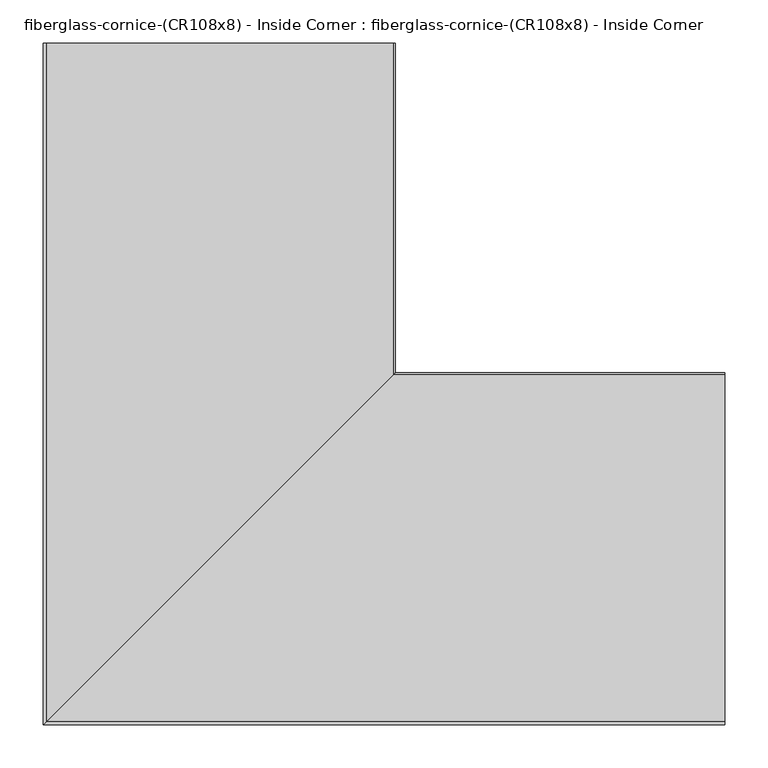
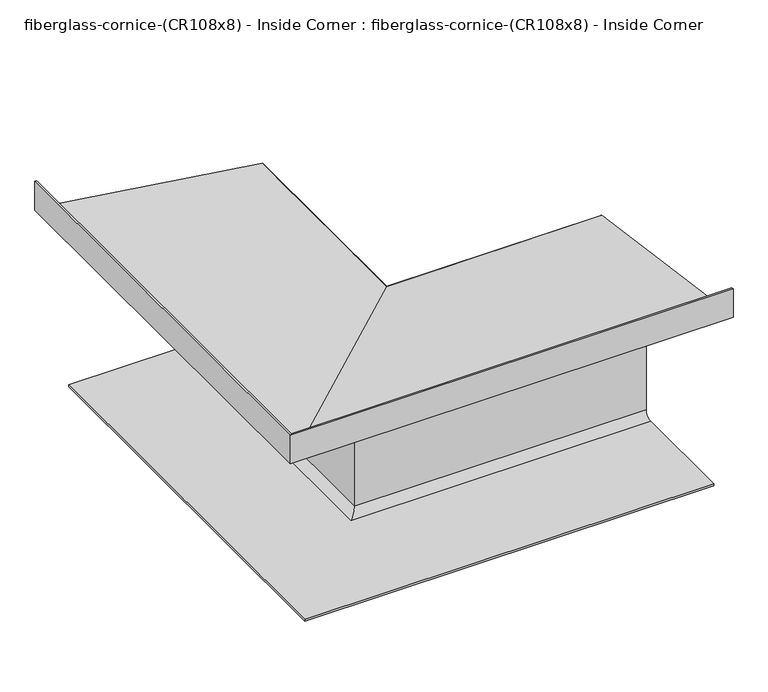
"""IFC4 building model written with IfcOpenShell, lengths in millimetres: furniture geometry, fiberglass-cornice-(CR108x8) - Inside Corner : fiberglass-cornice-(CR108x8) - Inside Corner."""

from ifc_helpers import new_model, si_unit, frame, origin, place, context, project, spatial, polyline, circle_curve, ellipse_curve, source, transform, mapped, element, save
from ifc_brep_helpers import plane_surface, cylinder_surface, revolved_surface, advanced_brep


def fiberglass_cornice_cr108x8_inside_corner_fiberglass_cornice_32fdd108(model_context):
    return source(origin(), model_context, "Body", "AdvancedBrep", [
        advanced_brep(
        [(-390.2076385, 888.603125, 330.0957121), (-390.2076385, 888.603125, 279.4513144), (10.5077309, 888.603125, 223.1344666), (12.9228608, 888.603125, 220.0517369), (12.9228928, 888.603125, 211.6295733), (10.1875126, 888.603125, 208.4851622), (-23.7154889, 888.603125, 179.5693198), (-36.9064062, 888.603125, 133.7587686), (-68.8232841, 888.603125, 108.8040813), (-72.0204017, 888.603125, 105.5911434), (-72.0204017, 888.603125, 97.284127), (-75.1956293, 888.603125, 94.1091241), (-83.5007364, 888.603125, 94.1091217), (-86.6276371, 888.603125, 91.5065503), (-96.5592838, 888.603125, 79.0597575), (-106.7387425, 888.603125, 66.4029603), (-109.8521032, 888.603125, 63.8505439), (-118.7392392, 888.603125, 63.8505407), (-121.9185493, 888.603125, 60.7132738), (-121.9185493, 888.603125, -82.8819321), (-124.6998932, 888.603125, -86.0324059), (-127.3736259, 888.603125, -83.7006969), (-136.6110754, 888.603125, -76.9291185), (-333.4234855, 888.603125, -76.9291185), (-333.4234855, 888.603125, -73.4366185), (-139.3812735, 888.603125, -73.4366185), (-125.4113815, 888.603125, -59.5215493), (-125.4113815, 888.603125, 65.4380508), (-123.5062735, 888.603125, 67.3430439), (-113.4434868, 888.603125, 67.343045), (-109.2700137, 888.603125, 70.2497063), (-97.947841, 888.603125, 82.2643918), (-89.8821884, 888.603125, 95.5527593), (-87.9826285, 888.603125, 97.6016241), (-79.9622689, 888.603125, 97.6016261), (-75.5132339, 888.603125, 102.0161337), (-75.5132339, 888.603125, 110.7988842), (-73.300075, 888.603125, 112.67881), (-40.2842463, 888.603125, 134.6498182), (-27.0620396, 888.603125, 180.5686863), (7.3793631, 888.603125, 211.5566345), (7.084977, 888.603125, 220.0886338), (-393.6999938, 888.603125, 276.415322), (-393.6999938, 888.603125, 330.1999904), (393.6999938, 104.6954803, 330.0957121), (393.6999938, 101.203125, 330.1999904), (393.6999938, 101.203125, 276.415322), (393.6999938, 501.9880959, 220.0886338), (393.6999938, 502.282482, 211.5566345), (393.6999938, 467.8410793, 180.5686863), (393.6999938, 454.6188726, 134.6498182), (393.6999938, 421.6030438, 112.67881), (393.6999938, 419.3899895, 110.7988824), (393.6999938, 419.3898849, 102.0161337), (393.6999938, 414.94085, 97.6016261), (393.6999938, 406.9205933, 97.6016261), (393.6999938, 405.0209305, 95.5527593), (393.6999938, 396.9552778, 82.2643918), (393.6999938, 385.6331051, 70.2497063), (393.6999938, 381.4596321, 67.343045), (393.6999938, 371.3967018, 67.343045), (393.6999938, 369.4918454, 65.4380439), (393.6999938, 369.4917374, -59.5215493), (393.6999938, 355.5218454, -73.4366185), (393.6999938, 161.4796333, -73.4366185), (393.6999938, 161.4796333, -76.9291185), (393.6999938, 358.2920434, -76.9291185), (393.6999938, 367.5294929, -83.7006969), (393.6999938, 370.2032256, -86.0324059), (393.6999938, 372.9843454, -82.8819323), (393.6999938, 372.9845695, 60.7132738), (393.6999938, 376.1638796, 63.8505407), (393.6999938, 385.0509338, 63.8505407), (393.6999938, 388.1643763, 66.4029603), (393.6999938, 398.3438351, 79.0597575), (393.6999938, 408.2754818, 91.5065503), (393.6999938, 411.4023824, 94.1091217), (393.6999938, 419.7074585, 94.1091217), (393.6999938, 422.8824895, 97.2841241), (393.6999938, 422.8827171, 105.5911434), (393.6999938, 426.0798348, 108.8040813), (393.6999938, 457.9967127, 133.7587686), (393.6999938, 471.1876299, 179.5693198), (393.6999938, 505.0906315, 208.4851622), (393.6999938, 507.8259796, 211.6295749), (393.6999938, 507.8260117, 220.0517394), (393.6999938, 505.4108498, 223.1344666), (393.6999938, 104.6954803, 279.4513144), (-390.2076385, 104.6954803, 330.0957121), (-390.2076385, 104.6954803, 279.4513144), (10.5077309, 505.4108498, 223.1344666), (12.9228608, 507.8259796, 220.0517369), (12.9228928, 507.8260117, 211.6295733), (10.1875126, 505.0906315, 208.4851622), (-23.7154889, 471.1876299, 179.5693198), (-36.9064062, 457.9967127, 133.7587686), (-68.8232841, 426.0798348, 108.8040813), (-72.0204017, 422.8827171, 105.5911434), (-72.0204017, 422.8827171, 97.284127), (-75.1956293, 419.7074895, 94.1091241), (-83.5007364, 411.4023824, 94.1091217), (-86.6276371, 408.2754818, 91.5065503), (-96.5592838, 398.3438351, 79.0597575), (-106.7387425, 388.1643763, 66.4029603), (-109.8521032, 385.0510157, 63.8505439), (-118.7392392, 376.1638796, 63.8505407), (-121.9185493, 372.9845695, 60.7132738), (-121.9185493, 372.9845695, -82.8819321), (-124.6998932, 370.2032256, -86.0324059), (-127.3736259, 367.5294929, -83.7006969), (-136.6110754, 358.2920434, -76.9291185), (-333.4234855, 161.4796333, -76.9291185), (-333.4234855, 161.4796333, -73.4366185), (-139.3812735, 355.5218454, -73.4366185), (-125.4113815, 369.4917374, -59.5215493), (-125.4113815, 369.4917374, 65.4380508), (-123.5062735, 371.3968454, 67.3430439), (-113.4434868, 381.4596321, 67.343045), (-109.2700137, 385.6331051, 70.2497063), (-97.947841, 396.9552778, 82.2643918), (-89.8821884, 405.0209305, 95.5527593), (-87.9826285, 406.9204904, 97.6016241), (-79.9622689, 414.94085, 97.6016261), (-75.5132339, 419.3898849, 102.0161337), (-75.5132339, 419.3898849, 110.7988842), (-73.300075, 421.6030438, 112.67881), (-40.2842463, 454.6188726, 134.6498182), (-27.0620396, 467.8410793, 180.5686863), (7.3793631, 502.282482, 211.5566345), (7.084977, 501.9880959, 220.0886338), (-393.6999938, 101.203125, 276.415322), (-393.6999938, 101.203125, 330.1999904)],
        [
            (0, 1),
            (1, 2),
            (2, 3, circle_curve(frame((9.7478608, 888.603125, 220.0517369), z_axis=(0.0, 1.0, 0.0), x_axis=(1.0, 0.0, 0.0)), 3.175)),
            (3, 4),
            (4, 5, circle_curve(frame((9.7478608, 888.603125, 211.6295749), z_axis=(0.0, 1.0, 0.0), x_axis=(1.0, 0.0, 0.0)), 3.175)),
            (5, 6, circle_curve(frame((15.9292323, 888.603125, 167.4200865), z_axis=(0.0, -1.0, 0.0), x_axis=(1.0, 0.0, 0.0)), 41.4645366)),
            (6, 7),
            (7, 8, circle_curve(frame((-68.5938812, 888.603125, 141.3987567), z_axis=(0.0, 1.0, 0.0), x_axis=(1.0, 0.0, 0.0)), 32.5954827)),
            (8, 9, circle_curve(frame((-68.8456293, 888.603125, 105.6291599), z_axis=(0.0, -1.0, 0.0), x_axis=(1.0, 0.0, 0.0)), 3.175)),
            (9, 10),
            (10, 11, circle_curve(frame((-75.1956293, 888.603125, 97.2841241), z_axis=(0.0, 1.0, 0.0), x_axis=(1.0, 0.0, 0.0)), 3.175)),
            (11, 12),
            (12, 13, circle_curve(frame((-83.5046652, 888.603125, 90.9341241), z_axis=(0.0, -1.0, 0.0), x_axis=(1.0, 0.0, 0.0)), 3.175)),
            (13, 14, circle_curve(frame((-103.1997529, 888.603125, 94.5441417), z_axis=(0.0, 1.0, 0.0), x_axis=(1.0, 0.0, 0.0)), 16.8482042)),
            (14, 15, circle_curve(frame((-89.4923996, 888.603125, 62.9541819), z_axis=(0.0, -1.0, 0.0), x_axis=(1.0, 0.0, 0.0)), 17.5877917)),
            (15, 16, circle_curve(frame((-109.8521032, 888.603125, 67.0255439), z_axis=(0.0, 1.0, 0.0), x_axis=(1.0, 0.0, 0.0)), 3.175)),
            (16, 17),
            (17, 18, circle_curve(frame((-118.7437735, 888.603125, 60.6755439), z_axis=(0.0, -1.0, 0.0), x_axis=(1.0, 0.0, 0.0)), 3.175)),
            (18, 19),
            (19, 20, circle_curve(frame((-125.0937735, 888.603125, -82.8819323), z_axis=(0.0, 1.0, 0.0), x_axis=(1.0, 0.0, 0.0)), 3.175)),
            (20, 21, circle_curve(frame((-124.3060129, 888.603125, -82.8819323), z_axis=(0.0, 1.0, 0.0), x_axis=(1.0, 0.0, 0.0)), 3.175)),
            (21, 22, circle_curve(frame((-136.2015829, 888.603125, -86.0569323), z_axis=(0.0, -1.0, 0.0), x_axis=(1.0, 0.0, 0.0)), 9.1369946)),
            (22, 23),
            (23, 24),
            (24, 25),
            (25, 26, circle_curve(frame((-139.3812735, 888.603125, -59.4666185), z_axis=(0.0, -1.0, 0.0), x_axis=(1.0, 0.0, 0.0)), 13.97)),
            (26, 27),
            (27, 28, circle_curve(frame((-123.5062735, 888.603125, 65.4380439), z_axis=(0.0, 1.0, 0.0), x_axis=(1.0, 0.0, 0.0)), 1.905)),
            (28, 29),
            (29, 30, circle_curve(frame((-113.4403306, 888.603125, 71.7880439), z_axis=(0.0, -1.0, 0.0), x_axis=(1.0, 0.0, 0.0)), 4.445)),
            (30, 31, circle_curve(frame((-89.4923996, 888.603125, 62.9541819), z_axis=(0.0, 1.0, 0.0), x_axis=(1.0, 0.0, 0.0)), 21.0802917)),
            (31, 32, circle_curve(frame((-103.1997529, 888.603125, 94.5441417), z_axis=(0.0, -1.0, 0.0), x_axis=(1.0, 0.0, 0.0)), 13.3557042)),
            (32, 33, circle_curve(frame((-87.9826285, 888.603125, 95.6966241), z_axis=(0.0, 1.0, 0.0), x_axis=(1.0, 0.0, 0.0)), 1.905)),
            (33, 34),
            (34, 35, circle_curve(frame((-79.9581293, 888.603125, 102.0466241), z_axis=(0.0, -1.0, 0.0), x_axis=(1.0, 0.0, 0.0)), 4.445)),
            (35, 36),
            (36, 37, circle_curve(frame((-73.6081293, 888.603125, 110.7988824), z_axis=(0.0, 1.0, 0.0), x_axis=(1.0, 0.0, 0.0)), 1.905)),
            (37, 38, circle_curve(frame((-68.5938812, 888.603125, 141.3987567), z_axis=(0.0, -1.0, 0.0), x_axis=(1.0, 0.0, 0.0)), 29.1029827)),
            (38, 39),
            (39, 40, circle_curve(frame((15.9292323, 888.603125, 167.4200865), z_axis=(0.0, 1.0, 0.0), x_axis=(1.0, 0.0, 0.0)), 44.9570366)),
            (40, 41, circle_curve(frame((6.5196249, 888.603125, 215.7980486), z_axis=(0.0, -1.0, 0.0), x_axis=(1.0, 0.0, 0.0)), 4.3276719)),
            (41, 42),
            (42, 43),
            (43, 0),
            (44, 45),
            (45, 46),
            (46, 47),
            (47, 48, circle_curve(frame((393.6999938, 501.4227437, 215.7980486), z_axis=(-1.0, 0.0, 0.0), x_axis=(0.0, 1.0, 0.0)), 4.3276719)),
            (48, 49, circle_curve(frame((393.6999938, 510.8323512, 167.4200865), z_axis=(1.0, 0.0, 0.0), x_axis=(0.0, 1.0, 0.0)), 44.9570366)),
            (49, 50),
            (50, 51, circle_curve(frame((393.6999938, 426.3092377, 141.3987567), z_axis=(-1.0, 0.0, 0.0), x_axis=(0.0, 1.0, 0.0)), 29.1029827)),
            (51, 52, circle_curve(frame((393.6999938, 421.2949895, 110.7988824), z_axis=(1.0, 0.0, 0.0), x_axis=(0.0, 1.0, 0.0)), 1.905)),
            (52, 53),
            (53, 54, circle_curve(frame((393.6999938, 414.9449895, 102.0466241), z_axis=(-1.0, 0.0, 0.0), x_axis=(0.0, 1.0, 0.0)), 4.445)),
            (54, 55),
            (55, 56, circle_curve(frame((393.6999938, 406.9204904, 95.6966241), z_axis=(1.0, 0.0, 0.0), x_axis=(0.0, 1.0, 0.0)), 1.905)),
            (56, 57, circle_curve(frame((393.6999938, 391.7033659, 94.5441417), z_axis=(-1.0, 0.0, 0.0), x_axis=(0.0, 1.0, 0.0)), 13.3557042)),
            (57, 58, circle_curve(frame((393.6999938, 405.4107193, 62.9541819), z_axis=(1.0, 0.0, 0.0), x_axis=(0.0, 1.0, 0.0)), 21.0802917)),
            (58, 59, circle_curve(frame((393.6999938, 381.4627883, 71.7880439), z_axis=(-1.0, 0.0, 0.0), x_axis=(0.0, 1.0, 0.0)), 4.445)),
            (59, 60),
            (60, 61, circle_curve(frame((393.6999938, 371.3968454, 65.4380439), z_axis=(1.0, 0.0, 0.0), x_axis=(0.0, 1.0, 0.0)), 1.905)),
            (61, 62),
            (62, 63, circle_curve(frame((393.6999938, 355.5218454, -59.4666185), z_axis=(-1.0, 0.0, 0.0), x_axis=(0.0, 1.0, 0.0)), 13.97)),
            (63, 64),
            (64, 65),
            (65, 66),
            (66, 67, circle_curve(frame((393.6999938, 358.7015359, -86.0569323), z_axis=(-1.0, 0.0, 0.0), x_axis=(0.0, 1.0, 0.0)), 9.1369946)),
            (67, 68, circle_curve(frame((393.6999938, 370.5971059, -82.8819323), z_axis=(1.0, 0.0, 0.0), x_axis=(0.0, 1.0, 0.0)), 3.175)),
            (68, 69, circle_curve(frame((393.6999938, 369.8093454, -82.8819323), z_axis=(1.0, 0.0, 0.0), x_axis=(0.0, 1.0, 0.0)), 3.175)),
            (69, 70),
            (70, 71, circle_curve(frame((393.6999938, 376.1593454, 60.6755439), z_axis=(-1.0, 0.0, 0.0), x_axis=(0.0, 1.0, 0.0)), 3.175)),
            (71, 72),
            (72, 73, circle_curve(frame((393.6999938, 385.0510157, 67.0255439), z_axis=(1.0, 0.0, 0.0), x_axis=(0.0, 1.0, 0.0)), 3.175)),
            (73, 74, circle_curve(frame((393.6999938, 405.4107193, 62.9541819), z_axis=(-1.0, 0.0, 0.0), x_axis=(0.0, 1.0, 0.0)), 17.5877917)),
            (74, 75, circle_curve(frame((393.6999938, 391.7033659, 94.5441417), z_axis=(1.0, 0.0, 0.0), x_axis=(0.0, 1.0, 0.0)), 16.8482042)),
            (75, 76, circle_curve(frame((393.6999938, 411.3984536, 90.9341241), z_axis=(-1.0, 0.0, 0.0), x_axis=(0.0, 1.0, 0.0)), 3.175)),
            (76, 77),
            (77, 78, circle_curve(frame((393.6999938, 419.7074895, 97.2841241), z_axis=(1.0, 0.0, 0.0), x_axis=(0.0, 1.0, 0.0)), 3.175)),
            (78, 79),
            (79, 80, circle_curve(frame((393.6999938, 426.0574895, 105.6291599), z_axis=(-1.0, 0.0, 0.0), x_axis=(0.0, 1.0, 0.0)), 3.175)),
            (80, 81, circle_curve(frame((393.6999938, 426.3092377, 141.3987567), z_axis=(1.0, 0.0, 0.0), x_axis=(0.0, 1.0, 0.0)), 32.5954827)),
            (81, 82),
            (82, 83, circle_curve(frame((393.6999938, 510.8323512, 167.4200865), z_axis=(-1.0, 0.0, 0.0), x_axis=(0.0, 1.0, 0.0)), 41.4645366)),
            (83, 84, circle_curve(frame((393.6999938, 504.6509796, 211.6295749), z_axis=(1.0, 0.0, 0.0), x_axis=(0.0, 1.0, 0.0)), 3.175)),
            (84, 85),
            (85, 86, circle_curve(frame((393.6999938, 504.6509796, 220.0517369), z_axis=(1.0, 0.0, 0.0), x_axis=(0.0, 1.0, 0.0)), 3.175)),
            (86, 87),
            (87, 44),
            (0, 88),
            (88, 89),
            (89, 1),
            (89, 90),
            (90, 2),
            (90, 91, ellipse_curve(frame((9.7478608, 504.6509796, 220.0517369), z_axis=(-0.7071067811865475, 0.7071067811865475, 0.0), x_axis=(0.7071067811865474, 0.7071067811865476, 0.0)), 4.4901281, 3.175)),
            (91, 3),
            (91, 92),
            (92, 4),
            (92, 93, ellipse_curve(frame((9.7478608, 504.6509796, 211.6295749), z_axis=(-0.7071067811865475, 0.7071067811865475, 0.0), x_axis=(0.7071067811865474, 0.7071067811865476, 0.0)), 4.4901281, 3.175)),
            (93, 5),
            (93, 94, ellipse_curve(frame((15.9292323, 510.8323512, 167.4200865), z_axis=(0.7071067811865475, -0.7071067811865475, 0.0), x_axis=(-0.7071067811865474, -0.7071067811865476, 0.0)), 58.63971, 41.4645366)),
            (94, 6),
            (94, 95),
            (95, 7),
            (95, 96, ellipse_curve(frame((-68.5938812, 426.3092377, 141.3987567), z_axis=(-0.7071067811865475, 0.7071067811865475, 0.0), x_axis=(0.7071067811865474, 0.7071067811865476, 0.0)), 46.0969737, 32.5954827)),
            (96, 8),
            (96, 97, ellipse_curve(frame((-68.8456293, 426.0574895, 105.6291599), z_axis=(0.7071067811865475, -0.7071067811865475, 0.0), x_axis=(-0.7071067811865474, -0.7071067811865476, 0.0)), 4.4901281, 3.175)),
            (97, 9),
            (97, 98),
            (98, 10),
            (98, 99, ellipse_curve(frame((-75.1956293, 419.7074895, 97.2841241), z_axis=(-0.7071067811865475, 0.7071067811865475, 0.0), x_axis=(0.7071067811865474, 0.7071067811865476, 0.0)), 4.4901281, 3.175)),
            (99, 11),
            (99, 77),
            (76, 100),
            (100, 12),
            (100, 101, ellipse_curve(frame((-83.5046652, 411.3984536, 90.9341241), z_axis=(0.7071067811865475, -0.7071067811865475, 0.0), x_axis=(-0.7071067811865474, -0.7071067811865476, 0.0)), 4.4901281, 3.175)),
            (101, 13),
            (101, 102, ellipse_curve(frame((-103.1997529, 391.7033659, 94.5441417), z_axis=(-0.7071067811865475, 0.7071067811865475, 0.0), x_axis=(0.7071067811865474, 0.7071067811865476, 0.0)), 23.8269589, 16.8482042)),
            (102, 14),
            (102, 103, ellipse_curve(frame((-89.4923996, 405.4107193, 62.9541819), z_axis=(0.7071067811865475, -0.7071067811865475, 0.0), x_axis=(-0.7071067811865474, -0.7071067811865476, 0.0)), 24.8728936, 17.5877917)),
            (103, 15),
            (103, 104, ellipse_curve(frame((-109.8521032, 385.0510157, 67.0255439), z_axis=(-0.7071067811865475, 0.7071067811865475, 0.0), x_axis=(0.7071067811865474, 0.7071067811865476, 0.0)), 4.4901281, 3.175)),
            (104, 16),
            (104, 72),
            (71, 105),
            (105, 17),
            (105, 106, ellipse_curve(frame((-118.7437735, 376.1593454, 60.6755439), z_axis=(0.7071067811865475, -0.7071067811865475, 0.0), x_axis=(-0.7071067811865474, -0.7071067811865476, 0.0)), 4.4901281, 3.175)),
            (106, 18),
            (106, 107),
            (107, 19),
            (107, 108, ellipse_curve(frame((-125.0937735, 369.8093454, -82.8819323), z_axis=(-0.7071067811865475, 0.7071067811865475, 0.0), x_axis=(0.7071067811865474, 0.7071067811865476, 0.0)), 4.4901281, 3.175)),
            (108, 20),
            (108, 109, ellipse_curve(frame((-124.3060129, 370.5971059, -82.8819323), z_axis=(-0.7071067811865475, 0.7071067811865475, 0.0), x_axis=(0.7071067811865474, 0.7071067811865476, 0.0)), 4.4901281, 3.175)),
            (109, 21),
            (109, 110, ellipse_curve(frame((-136.2015829, 358.7015359, -86.0569323), z_axis=(0.7071067811865475, -0.7071067811865475, 0.0), x_axis=(-0.7071067811865474, -0.7071067811865476, 0.0)), 12.9216617, 9.1369946)),
            (110, 22),
            (110, 66),
            (65, 111),
            (111, 23),
            (111, 112),
            (112, 24),
            (112, 64),
            (63, 113),
            (113, 25),
            (113, 114, ellipse_curve(frame((-139.3812735, 355.5218454, -59.4666185), z_axis=(0.7071067811865475, -0.7071067811865475, 0.0), x_axis=(-0.7071067811865474, -0.7071067811865476, 0.0)), 19.7565635, 13.97)),
            (114, 26),
            (114, 115),
            (115, 27),
            (115, 116, ellipse_curve(frame((-123.5062735, 371.3968454, 65.4380439), z_axis=(-0.7071067811865475, 0.7071067811865475, 0.0), x_axis=(0.7071067811865474, 0.7071067811865476, 0.0)), 2.6940768, 1.905)),
            (116, 28),
            (116, 60),
            (59, 117),
            (117, 29),
            (117, 118, ellipse_curve(frame((-113.4403306, 381.4627883, 71.7880439), z_axis=(0.7071067811865475, -0.7071067811865475, 0.0), x_axis=(-0.7071067811865474, -0.7071067811865476, 0.0)), 6.2861793, 4.445)),
            (118, 30),
            (118, 119, ellipse_curve(frame((-89.4923996, 405.4107193, 62.9541819), z_axis=(-0.7071067811865475, 0.7071067811865475, 0.0), x_axis=(0.7071067811865474, 0.7071067811865476, 0.0)), 29.8120345, 21.0802917)),
            (119, 31),
            (119, 120, ellipse_curve(frame((-103.1997529, 391.7033659, 94.5441417), z_axis=(0.7071067811865475, -0.7071067811865475, 0.0), x_axis=(-0.7071067811865474, -0.7071067811865476, 0.0)), 18.887818, 13.3557042)),
            (120, 32),
            (120, 121, ellipse_curve(frame((-87.9826285, 406.9204904, 95.6966241), z_axis=(-0.7071067811865475, 0.7071067811865475, 0.0), x_axis=(0.7071067811865474, 0.7071067811865476, 0.0)), 2.6940768, 1.905)),
            (121, 33),
            (121, 55),
            (54, 122),
            (122, 34),
            (122, 123, ellipse_curve(frame((-79.9581293, 414.9449895, 102.0466241), z_axis=(0.7071067811865475, -0.7071067811865475, 0.0), x_axis=(-0.7071067811865474, -0.7071067811865476, 0.0)), 6.2861793, 4.445)),
            (123, 35),
            (123, 124),
            (124, 36),
            (124, 125, ellipse_curve(frame((-73.6081293, 421.2949895, 110.7988824), z_axis=(-0.7071067811865475, 0.7071067811865475, 0.0), x_axis=(0.7071067811865474, 0.7071067811865476, 0.0)), 2.6940768, 1.905)),
            (125, 37),
            (125, 126, ellipse_curve(frame((-68.5938812, 426.3092377, 141.3987567), z_axis=(0.7071067811865475, -0.7071067811865475, 0.0), x_axis=(-0.7071067811865474, -0.7071067811865476, 0.0)), 41.1578328, 29.1029827)),
            (126, 38),
            (126, 127),
            (127, 39),
            (127, 128, ellipse_curve(frame((15.9292323, 510.8323512, 167.4200865), z_axis=(-0.7071067811865475, 0.7071067811865475, 0.0), x_axis=(0.7071067811865474, 0.7071067811865476, 0.0)), 63.5788508, 44.9570366)),
            (128, 40),
            (128, 129, ellipse_curve(frame((6.5196249, 501.4227437, 215.7980486), z_axis=(0.7071067811865475, -0.7071067811865475, 0.0), x_axis=(-0.7071067811865474, -0.7071067811865476, 0.0)), 6.1202523, 4.3276719)),
            (129, 41),
            (129, 130),
            (130, 42),
            (130, 131),
            (131, 43),
            (131, 88),
            (88, 44),
            (87, 89),
            (86, 90),
            (85, 91),
            (84, 92),
            (83, 93),
            (82, 94),
            (81, 95),
            (80, 96),
            (79, 97),
            (78, 98),
            (75, 101),
            (74, 102),
            (73, 103),
            (70, 106),
            (69, 107),
            (68, 108),
            (67, 109),
            (62, 114),
            (61, 115),
            (58, 118),
            (57, 119),
            (56, 120),
            (53, 123),
            (52, 124),
            (51, 125),
            (50, 126),
            (49, 127),
            (48, 128),
            (47, 129),
            (46, 130),
            (45, 131),
        ],
        [
            plane_surface(frame((-393.6999938, 888.603125, 330.1999904), z_axis=(0.0, 1.0, 0.0), x_axis=(0.0, 0.0, 1.0))),
            plane_surface(frame((393.6999938, 101.203125, 330.1999904), z_axis=(1.0, 0.0, 0.0), x_axis=(0.0, 0.0, 1.0))),
            plane_surface(frame((-390.2076385, 888.603125, 330.0957121), z_axis=(1.0, 0.0, 0.0), x_axis=(0.0, -1.0, 0.0))),
            plane_surface(frame((-390.2076385, 888.603125, 279.4513144), z_axis=(0.13917304094940405, 0.0, 0.9902680771755169), x_axis=(0.0, -1.0, 0.0))),
            cylinder_surface(frame((9.7478608, 888.603125, 220.0517369), z_axis=(0.0, 1.0, 0.0), x_axis=(1.0, 0.0, 0.0)), 3.175),
            plane_surface(frame((12.9228928, 888.603125, 220.0517394), z_axis=(1.0, 0.0, 0.0), x_axis=(0.0, -1.0, 0.0))),
            cylinder_surface(frame((9.7478608, 888.603125, 211.6295749), z_axis=(0.0, 1.0, 0.0), x_axis=(1.0, 0.0, 0.0)), 3.175),
            revolved_surface(polyline([(57.393768900000005, 469.36781461218743, 167.4200865), (57.393768900000005, 888.603125, 167.4200865)]), (15.9292323, 888.603125, 167.4200865), (0.0, -1.0, 0.0)),
            plane_surface(frame((-23.7154889, 888.603125, 179.5693198), z_axis=(0.960955677207526, 0.0, -0.27670234267643123), x_axis=(0.0, -1.0, 0.0))),
            cylinder_surface(frame((-68.5938812, 888.603125, 141.3987567), z_axis=(0.0, 1.0, 0.0), x_axis=(1.0, 0.0, 0.0)), 32.5954827),
            revolved_surface(polyline([(-65.6706293, 422.8824894720937, 105.6291599), (-65.6706293, 888.603125, 105.6291599)]), (-68.8456293, 888.603125, 105.6291599), (0.0, -1.0, 0.0)),
            plane_surface(frame((-72.0204017, 888.603125, 105.5911434), z_axis=(1.0, 0.0, 0.0), x_axis=(0.0, -1.0, 0.0))),
            cylinder_surface(frame((-75.1956293, 888.603125, 97.2841241), z_axis=(0.0, 1.0, 0.0), x_axis=(1.0, 0.0, 0.0)), 3.175),
            plane_surface(frame((-75.1956604, 888.603125, 94.1091217), z_axis=(0.0, 0.0, -1.0), x_axis=(0.0, -1.0, 0.0))),
            revolved_surface(polyline([(-80.32966520000001, 408.2234535720937, 90.9341241), (-80.32966520000001, 888.603125, 90.9341241)]), (-83.5046652, 888.603125, 90.9341241), (0.0, -1.0, 0.0)),
            cylinder_surface(frame((-103.1997529, 888.603125, 94.5441417), z_axis=(0.0, 1.0, 0.0), x_axis=(1.0, 0.0, 0.0)), 16.8482042),
            revolved_surface(polyline([(-71.9046079, 387.8229275677085, 62.9541819), (-71.9046079, 888.603125, 62.9541819)]), (-89.4923996, 888.603125, 62.9541819), (0.0, -1.0, 0.0)),
            cylinder_surface(frame((-109.8521032, 888.603125, 67.0255439), z_axis=(0.0, 1.0, 0.0), x_axis=(1.0, 0.0, 0.0)), 3.175),
            plane_surface(frame((-109.852185, 888.603125, 63.8505407), z_axis=(0.0, 0.0, -1.0), x_axis=(0.0, -1.0, 0.0))),
            revolved_surface(polyline([(-115.5687735, 372.9843453720937, 60.6755439), (-115.5687735, 888.603125, 60.6755439)]), (-118.7437735, 888.603125, 60.6755439), (0.0, -1.0, 0.0)),
            plane_surface(frame((-121.9185493, 888.603125, 60.7132738), z_axis=(1.0, 0.0, 0.0), x_axis=(0.0, -1.0, 0.0))),
            cylinder_surface(frame((-125.0937735, 888.603125, -82.8819323), z_axis=(0.0, 1.0, 0.0), x_axis=(1.0, 0.0, 0.0)), 3.175),
            cylinder_surface(frame((-124.3060129, 888.603125, -82.8819323), z_axis=(0.0, 1.0, 0.0), x_axis=(1.0, 0.0, 0.0)), 3.175),
            revolved_surface(polyline([(-127.06458830000001, 349.5645412877316, -86.0569323), (-127.06458830000001, 888.603125, -86.0569323)]), (-136.2015829, 888.603125, -86.0569323), (0.0, -1.0, 0.0)),
            plane_surface(frame((-136.6110754, 888.603125, -76.9291185), z_axis=(0.0, 0.0, -1.0), x_axis=(0.0, -1.0, 0.0))),
            plane_surface(frame((-333.4234855, 888.603125, -76.9291185), z_axis=(-1.0, 0.0, 0.0), x_axis=(0.0, -1.0, 0.0))),
            plane_surface(frame((-333.4234855, 888.603125, -73.4366185), z_axis=(0.0, 0.0, 1.0), x_axis=(0.0, -1.0, 0.0))),
            revolved_surface(polyline([(-125.4112735, 341.5518453762073, -59.4666185), (-125.4112735, 888.603125, -59.4666185)]), (-139.3812735, 888.603125, -59.4666185), (0.0, -1.0, 0.0)),
            plane_surface(frame((-125.4113815, 888.603125, -59.5215493), z_axis=(-1.0, 0.0, 0.0), x_axis=(0.0, -1.0, 0.0))),
            cylinder_surface(frame((-123.5062735, 888.603125, 65.4380439), z_axis=(0.0, 1.0, 0.0), x_axis=(1.0, 0.0, 0.0)), 1.905),
            plane_surface(frame((-123.506417, 888.603125, 67.343045), z_axis=(0.0, 0.0, 1.0), x_axis=(0.0, -1.0, 0.0))),
            revolved_surface(polyline([(-108.99533059999999, 377.0177882892155, 71.7880439), (-108.99533059999999, 888.603125, 71.7880439)]), (-113.4403306, 888.603125, 71.7880439), (0.0, -1.0, 0.0)),
            cylinder_surface(frame((-89.4923996, 888.603125, 62.9541819), z_axis=(0.0, 1.0, 0.0), x_axis=(1.0, 0.0, 0.0)), 21.0802917),
            revolved_surface(polyline([(-89.84404869999999, 378.3476617103827, 94.5441417), (-89.84404869999999, 888.603125, 94.5441417)]), (-103.1997529, 888.603125, 94.5441417), (0.0, -1.0, 0.0)),
            cylinder_surface(frame((-87.9826285, 888.603125, 95.6966241), z_axis=(0.0, 1.0, 0.0), x_axis=(1.0, 0.0, 0.0)), 1.905),
            plane_surface(frame((-87.9825256, 888.603125, 97.6016261), z_axis=(0.0, 0.0, 1.0), x_axis=(0.0, -1.0, 0.0))),
            revolved_surface(polyline([(-75.5131293, 410.4999894892155, 102.0466241), (-75.5131293, 888.603125, 102.0466241)]), (-79.9581293, 888.603125, 102.0466241), (0.0, -1.0, 0.0)),
            plane_surface(frame((-75.5132339, 888.603125, 102.0161337), z_axis=(-1.0, 0.0, 0.0), x_axis=(0.0, -1.0, 0.0))),
            cylinder_surface(frame((-73.6081293, 888.603125, 110.7988824), z_axis=(0.0, 1.0, 0.0), x_axis=(1.0, 0.0, 0.0)), 1.905),
            revolved_surface(polyline([(-39.4908985, 397.20625502817785, 141.3987567), (-39.4908985, 888.603125, 141.3987567)]), (-68.5938812, 888.603125, 141.3987567), (0.0, -1.0, 0.0)),
            plane_surface(frame((-40.2842463, 888.603125, 134.6498182), z_axis=(-0.960955120051551, 0.0, 0.27670427760826033), x_axis=(0.0, -1.0, 0.0))),
            cylinder_surface(frame((15.9292323, 888.603125, 167.4200865), z_axis=(0.0, 1.0, 0.0), x_axis=(1.0, 0.0, 0.0)), 44.9570366),
            revolved_surface(polyline([(10.8472968, 497.09507179609744, 215.7980486), (10.8472968, 888.603125, 215.7980486)]), (6.5196249, 888.603125, 215.7980486), (0.0, -1.0, 0.0)),
            plane_surface(frame((7.084977, 888.603125, 220.0886338), z_axis=(-0.13917318298142234, 0.0, -0.9902680572142168), x_axis=(0.0, -1.0, 0.0))),
            plane_surface(frame((-393.6999938, 888.603125, 276.415322), z_axis=(-1.0, 0.0, 0.0), x_axis=(0.0, -1.0, 0.0))),
            plane_surface(frame((-393.6999938, 888.603125, 330.1999904), z_axis=(0.029845723440047666, 0.0, 0.9995545171686936), x_axis=(0.0, -1.0, 0.0))),
            plane_surface(frame((-390.2076385, 104.6954803, 330.0957121), z_axis=(0.0, 1.0, 0.0), x_axis=(1.0, 0.0, 0.0))),
            plane_surface(frame((-390.2076385, 104.6954803, 279.4513144), z_axis=(0.0, 0.13917304094940405, 0.9902680771755169), x_axis=(1.0, 0.0, 0.0))),
            cylinder_surface(frame((-393.6999938, 504.6509796, 220.0517369), z_axis=(-1.0, 0.0, 0.0), x_axis=(0.0, 1.0, 0.0)), 3.175),
            plane_surface(frame((12.9228928, 507.8260117, 220.0517394), z_axis=(0.0, 1.0, 0.0), x_axis=(1.0, 0.0, 0.0))),
            cylinder_surface(frame((-393.6999938, 504.6509796, 211.6295749), z_axis=(-1.0, 0.0, 0.0), x_axis=(0.0, 1.0, 0.0)), 3.175),
            revolved_surface(polyline([(393.6999938, 552.2968878, 167.4200865), (-25.53530428781255, 552.2968878, 167.4200865)]), (-393.6999938, 510.8323512, 167.4200865), (1.0, 0.0, 0.0)),
            plane_surface(frame((-23.7154889, 471.1876299, 179.5693198), z_axis=(0.0, 0.960955677207526, -0.27670234267643123), x_axis=(1.0, 0.0, 0.0))),
            cylinder_surface(frame((-393.6999938, 426.3092377, 141.3987567), z_axis=(-1.0, 0.0, 0.0), x_axis=(0.0, 1.0, 0.0)), 32.5954827),
            revolved_surface(polyline([(393.6999938, 429.2324895, 105.6291599), (-72.02062932790625, 429.2324895, 105.6291599)]), (-393.6999938, 426.0574895, 105.6291599), (1.0, 0.0, 0.0)),
            plane_surface(frame((-72.0204017, 422.8827171, 105.5911434), z_axis=(0.0, 1.0, 0.0), x_axis=(1.0, 0.0, 0.0))),
            cylinder_surface(frame((-393.6999938, 419.7074895, 97.2841241), z_axis=(-1.0, 0.0, 0.0), x_axis=(0.0, 1.0, 0.0)), 3.175),
            revolved_surface(polyline([(393.6999938, 414.5734536, 90.9341241), (-86.67966522790624, 414.5734536, 90.9341241)]), (-393.6999938, 411.3984536, 90.9341241), (1.0, 0.0, 0.0)),
            cylinder_surface(frame((-393.6999938, 391.7033659, 94.5441417), z_axis=(-1.0, 0.0, 0.0), x_axis=(0.0, 1.0, 0.0)), 16.8482042),
            revolved_surface(polyline([(393.6999938, 422.998511, 62.9541819), (-107.08019133229146, 422.998511, 62.9541819)]), (-393.6999938, 405.4107193, 62.9541819), (1.0, 0.0, 0.0)),
            cylinder_surface(frame((-393.6999938, 385.0510157, 67.0255439), z_axis=(-1.0, 0.0, 0.0), x_axis=(0.0, 1.0, 0.0)), 3.175),
            revolved_surface(polyline([(393.6999938, 379.3343454, 60.6755439), (-121.91877352790624, 379.3343454, 60.6755439)]), (-393.6999938, 376.1593454, 60.6755439), (1.0, 0.0, 0.0)),
            plane_surface(frame((-121.9185493, 372.9845695, 60.7132738), z_axis=(0.0, 1.0, 0.0), x_axis=(1.0, 0.0, 0.0))),
            cylinder_surface(frame((-393.6999938, 369.8093454, -82.8819323), z_axis=(-1.0, 0.0, 0.0), x_axis=(0.0, 1.0, 0.0)), 3.175),
            cylinder_surface(frame((-393.6999938, 370.5971059, -82.8819323), z_axis=(-1.0, 0.0, 0.0), x_axis=(0.0, 1.0, 0.0)), 3.175),
            revolved_surface(polyline([(393.6999938, 367.8385305, -86.0569323), (-145.3385775122685, 367.8385305, -86.0569323)]), (-393.6999938, 358.7015359, -86.0569323), (1.0, 0.0, 0.0)),
            plane_surface(frame((-333.4234855, 161.4796333, -76.9291185), z_axis=(0.0, -1.0, 0.0), x_axis=(1.0, 0.0, 0.0))),
            revolved_surface(polyline([(393.6999938, 369.49184540000005, -59.4666185), (-153.35127352379263, 369.49184540000005, -59.4666185)]), (-393.6999938, 355.5218454, -59.4666185), (1.0, 0.0, 0.0)),
            plane_surface(frame((-125.4113815, 369.4917374, -59.5215493), z_axis=(0.0, -1.0, 0.0), x_axis=(1.0, 0.0, 0.0))),
            cylinder_surface(frame((-393.6999938, 371.3968454, 65.4380439), z_axis=(-1.0, 0.0, 0.0), x_axis=(0.0, 1.0, 0.0)), 1.905),
            revolved_surface(polyline([(393.6999938, 385.9077883, 71.7880439), (-117.88533061078448, 385.9077883, 71.7880439)]), (-393.6999938, 381.4627883, 71.7880439), (1.0, 0.0, 0.0)),
            cylinder_surface(frame((-393.6999938, 405.4107193, 62.9541819), z_axis=(-1.0, 0.0, 0.0), x_axis=(0.0, 1.0, 0.0)), 21.0802917),
            revolved_surface(polyline([(393.6999938, 405.0590701, 94.5441417), (-116.55545708961733, 405.0590701, 94.5441417)]), (-393.6999938, 391.7033659, 94.5441417), (1.0, 0.0, 0.0)),
            cylinder_surface(frame((-393.6999938, 406.9204904, 95.6966241), z_axis=(-1.0, 0.0, 0.0), x_axis=(0.0, 1.0, 0.0)), 1.905),
            revolved_surface(polyline([(393.6999938, 419.3899895, 102.0466241), (-84.4031293107845, 419.3899895, 102.0466241)]), (-393.6999938, 414.9449895, 102.0466241), (1.0, 0.0, 0.0)),
            plane_surface(frame((-75.5132339, 419.3898849, 102.0161337), z_axis=(0.0, -1.0, 0.0), x_axis=(1.0, 0.0, 0.0))),
            cylinder_surface(frame((-393.6999938, 421.2949895, 110.7988824), z_axis=(-1.0, 0.0, 0.0), x_axis=(0.0, 1.0, 0.0)), 1.905),
            revolved_surface(polyline([(393.6999938, 455.41222039999997, 141.3987567), (-97.69686387182207, 455.41222039999997, 141.3987567)]), (-393.6999938, 426.3092377, 141.3987567), (1.0, 0.0, 0.0)),
            plane_surface(frame((-40.2842463, 454.6188726, 134.6498182), z_axis=(0.0, -0.960955120051551, 0.27670427760826033), x_axis=(1.0, 0.0, 0.0))),
            cylinder_surface(frame((-393.6999938, 510.8323512, 167.4200865), z_axis=(-1.0, 0.0, 0.0), x_axis=(0.0, 1.0, 0.0)), 44.9570366),
            revolved_surface(polyline([(393.6999938, 505.7504156, 215.7980486), (2.1919529960974273, 505.7504156, 215.7980486)]), (-393.6999938, 501.4227437, 215.7980486), (1.0, 0.0, 0.0)),
            plane_surface(frame((7.084977, 501.9880959, 220.0886338), z_axis=(0.0, -0.13917318298142234, -0.9902680572142168), x_axis=(1.0, 0.0, 0.0))),
            plane_surface(frame((-393.6999938, 101.203125, 276.415322), z_axis=(0.0, -1.0, 0.0), x_axis=(1.0, 0.0, 0.0))),
            plane_surface(frame((-393.6999938, 101.203125, 330.1999904), z_axis=(0.0, 0.029845723440047666, 0.9995545171686936), x_axis=(1.0, 0.0, 0.0))),
        ],
        [
            (0, [[1, 2, 3, 4, 5, 6, 7, 8, 9, 10, 11, 12, 13, 14, 15, 16, 17, 18, 19, 20, 21, 22, 23, 24, 25, 26, 27, 28, 29, 30, 31, 32, 33, 34, 35, 36, 37, 38, 39, 40, 41, 42, 43, 44]]),
            (1, [[45, 46, 47, 48, 49, 50, 51, 52, 53, 54, 55, 56, 57, 58, 59, 60, 61, 62, 63, 64, 65, 66, 67, 68, 69, 70, 71, 72, 73, 74, 75, 76, 77, 78, 79, 80, 81, 82, 83, 84, 85, 86, 87, 88]]),
            (2, [[-1, 89, 90, 91]]),
            (3, [[-2, -91, 92, 93]]),
            (4, [[-3, -93, 94, 95]]),
            (5, [[-4, -95, 96, 97]]),
            (6, [[-5, -97, 98, 99]]),
            (7, [[-6, -99, 100, 101]]),
            (8, [[-7, -101, 102, 103]]),
            (9, [[-8, -103, 104, 105]]),
            (10, [[-9, -105, 106, 107]]),
            (11, [[-10, -107, 108, 109]]),
            (12, [[-11, -109, 110, 111]]),
            (13, [[-12, -111, 112, -77, 113, 114]]),
            (14, [[-13, -114, 115, 116]]),
            (15, [[-14, -116, 117, 118]]),
            (16, [[-15, -118, 119, 120]]),
            (17, [[-16, -120, 121, 122]]),
            (18, [[-17, -122, 123, -72, 124, 125]]),
            (19, [[-18, -125, 126, 127]]),
            (20, [[-19, -127, 128, 129]]),
            (21, [[-20, -129, 130, 131]]),
            (22, [[-21, -131, 132, 133]]),
            (23, [[-22, -133, 134, 135]]),
            (24, [[-23, -135, 136, -66, 137, 138]]),
            (25, [[-24, -138, 139, 140]]),
            (26, [[-25, -140, 141, -64, 142, 143]]),
            (27, [[-26, -143, 144, 145]]),
            (28, [[-27, -145, 146, 147]]),
            (29, [[-28, -147, 148, 149]]),
            (30, [[-29, -149, 150, -60, 151, 152]]),
            (31, [[-30, -152, 153, 154]]),
            (32, [[-31, -154, 155, 156]]),
            (33, [[-32, -156, 157, 158]]),
            (34, [[-33, -158, 159, 160]]),
            (35, [[-34, -160, 161, -55, 162, 163]]),
            (36, [[-35, -163, 164, 165]]),
            (37, [[-36, -165, 166, 167]]),
            (38, [[-37, -167, 168, 169]]),
            (39, [[-38, -169, 170, 171]]),
            (40, [[-39, -171, 172, 173]]),
            (41, [[-40, -173, 174, 175]]),
            (42, [[-41, -175, 176, 177]]),
            (43, [[-42, -177, 178, 179]]),
            (44, [[-43, -179, 180, 181]]),
            (45, [[-44, -181, 182, -89]]),
            (46, [[-90, 183, -88, 184]]),
            (47, [[-92, -184, -87, 185]]),
            (48, [[-94, -185, -86, 186]]),
            (49, [[-96, -186, -85, 187]]),
            (50, [[-98, -187, -84, 188]]),
            (51, [[-100, -188, -83, 189]]),
            (52, [[-102, -189, -82, 190]]),
            (53, [[-104, -190, -81, 191]]),
            (54, [[-106, -191, -80, 192]]),
            (55, [[-108, -192, -79, 193]]),
            (56, [[-110, -193, -78, -112]]),
            (57, [[-115, -113, -76, 194]]),
            (58, [[-117, -194, -75, 195]]),
            (59, [[-119, -195, -74, 196]]),
            (60, [[-121, -196, -73, -123]]),
            (61, [[-126, -124, -71, 197]]),
            (62, [[-128, -197, -70, 198]]),
            (63, [[-130, -198, -69, 199]]),
            (64, [[-132, -199, -68, 200]]),
            (65, [[-134, -200, -67, -136]]),
            (66, [[-139, -137, -65, -141]]),
            (67, [[-144, -142, -63, 201]]),
            (68, [[-146, -201, -62, 202]]),
            (69, [[-148, -202, -61, -150]]),
            (70, [[-153, -151, -59, 203]]),
            (71, [[-155, -203, -58, 204]]),
            (72, [[-157, -204, -57, 205]]),
            (73, [[-159, -205, -56, -161]]),
            (74, [[-164, -162, -54, 206]]),
            (75, [[-166, -206, -53, 207]]),
            (76, [[-168, -207, -52, 208]]),
            (77, [[-170, -208, -51, 209]]),
            (78, [[-172, -209, -50, 210]]),
            (79, [[-174, -210, -49, 211]]),
            (80, [[-176, -211, -48, 212]]),
            (81, [[-178, -212, -47, 213]]),
            (82, [[-180, -213, -46, 214]]),
            (83, [[-182, -214, -45, -183]]),
        ],
    ),
    ])


if __name__ == "__main__":
    model = new_model("IFC4")
    model_context = context("Model", 3, world=origin())
    ifc_project = project(units=[si_unit("LENGTHUNIT", "METRE", prefix="MILLI")], contexts=[model_context])
    site = spatial("IfcSite", under=ifc_project)
    building = spatial("IfcBuilding", under=site)
    placement = place(None, origin())
    fiberglass_cornice_cr108x8_inside_corner_fiberglass_cornice_shape = fiberglass_cornice_cr108x8_inside_corner_fiberglass_cornice_32fdd108(model_context)
    element("IfcFurniture", 1, ObjectType="fiberglass-cornice-(CR108x8) - Inside Corner : fiberglass-cornice-(CR108x8) - Inside Corner", at=placement, inside=building, context=model_context, shape_type="MappedRepresentation", body=[
        mapped(fiberglass_cornice_cr108x8_inside_corner_fiberglass_cornice_shape, transform((0.0, 0.0, 0.0), x_axis=(1.0, 0.0, 0.0), y_axis=(0.0, 1.0, 0.0), z_axis=(0.0, 0.0, 1.0))),
    ])
    save(model, "model.ifc")
